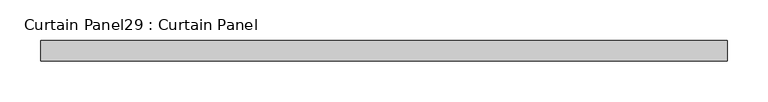
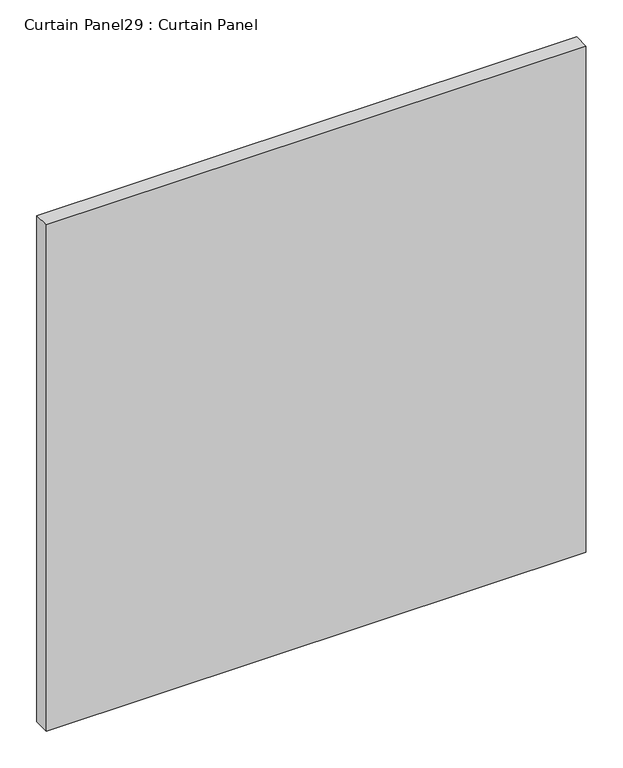
"""IFC4 building model written with IfcOpenShell, lengths in millimetres: plate geometry, Curtain Panel29 : Curtain Panel."""

from ifc_helpers import new_model, si_unit, frame, origin, place, context, project, spatial, polyline, outline, extrude, source, transform, mapped, element, save


def curtain_panel29_curtain_panel_5e6f3442(model_context):
    return source(origin(), model_context, "Body", "SweptSolid", [
        extrude(outline(polyline([(74444.1392573, 2539.6865142), (73599.8915057, 2539.6865142), (73599.8915057, 2565.0865142), (74444.1392573, 2565.0865142), (74444.1392573, 2539.6865142)])), frame((0.0, 0.0, 1151.1872022), z_axis=(0.0, 0.0, 1.0), x_axis=(1.0, 0.0, 0.0)), (0.0, 0.0, 1.0), 837.0462759),
    ])


if __name__ == "__main__":
    model = new_model("IFC4")
    model_context = context("Model", 3, world=origin())
    ifc_project = project(units=[si_unit("LENGTHUNIT", "METRE", prefix="MILLI")], contexts=[model_context])
    site = spatial("IfcSite", under=ifc_project)
    building = spatial("IfcBuilding", under=site)
    placement = place(None, origin())
    curtain_panel29_curtain_panel_shape = curtain_panel29_curtain_panel_5e6f3442(model_context)
    element("IfcPlate", 1, ObjectType="Curtain Panel29 : Curtain Panel", at=placement, inside=building, context=model_context, shape_type="MappedRepresentation", body=[
        mapped(curtain_panel29_curtain_panel_shape, transform((0.0, 0.0, 0.0), x_axis=(1.0, 0.0, 0.0), y_axis=(0.0, 1.0, 0.0), z_axis=(0.0, 0.0, 1.0))),
    ])
    save(model, "model.ifc")
